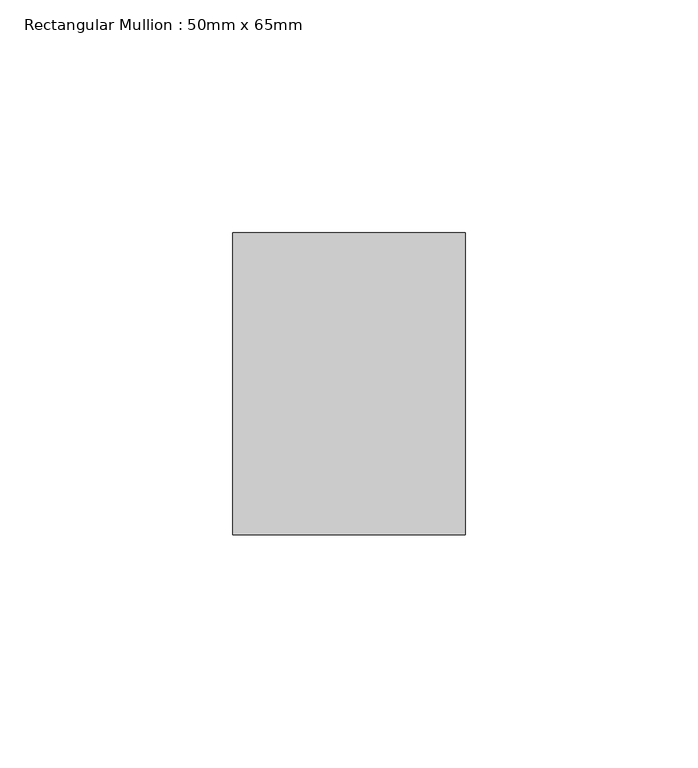
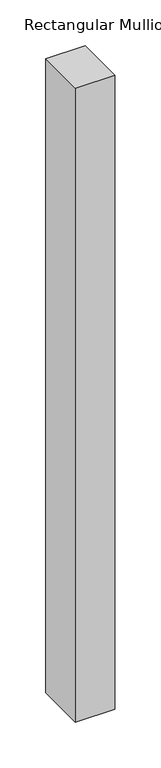
"""IFC4 building model written with IfcOpenShell, lengths in millimetres: member geometry, Rectangular Mullion : 50mm x 65mm."""

import ifcopenshell
import ifcopenshell.guid

model = None  # the IFC model being written
_history = None  # IfcOwnerHistory: only IFC2X3 demands one
_inside = {}  # id of a spatial element -> (the spatial element, [elements in it])
_under = {}  # id of a project, library or spatial element -> (it, [spatial elements below it])
_declared = {}  # id of a project -> (the project, [libraries it declares])
_typed = {}  # id of a type object -> (the type object, [elements of that type])
_made_of = {}  # id of a material, layer set ... -> (it, [elements and type objects made of it])


def new_model(schema):
    """Start an empty IFC model of exactly this schema.

    Asked for "IFC4X3", IfcOpenShell would pick the latest addendum, in which some entities
    have other attributes; the version numbers below select the first issue.
    IFC2X3 requires an IfcOwnerHistory on every rooted entity: one is made here for all.
    """
    global model, _history
    if schema == "IFC4X3":
        model = ifcopenshell.file(schema_version=(4, 3, 0, 0))
    else:
        model = ifcopenshell.file(schema=schema)
    _inside.clear()
    _under.clear()
    _declared.clear()
    _typed.clear()
    _made_of.clear()
    _history = None
    if model.schema == "IFC2X3":
        org = make("IfcOrganization", Name="unknown")
        user = make(
            "IfcPersonAndOrganization",
            ThePerson=make("IfcPerson", FamilyName="unknown"),
            TheOrganization=org,
        )
        app = make(
            "IfcApplication",
            ApplicationDeveloper=org,
            Version="unknown",
            ApplicationFullName="unknown",
            ApplicationIdentifier="unknown",
        )
        _history = make(
            "IfcOwnerHistory",
            OwningUser=user,
            OwningApplication=app,
            ChangeAction="ADDED",
            CreationDate=0,
        )
    return model


def make(cls, **values):
    """One entity of the class cls with the attributes given. An attribute that is None is left unset."""
    return model.create_entity(
        cls, **{name: value for name, value in values.items() if value is not None}
    )


def rooted(cls, **values):
    """An entity with a GlobalId (a new one), such as an element, a storey or a relation."""
    return make(cls, GlobalId=ifcopenshell.guid.new(), OwnerHistory=_history, **values)


def si_unit(unit_type, name, prefix=None):
    """IfcSIUnit, for example si_unit("LENGTHUNIT", "METRE", prefix="MILLI")."""
    return make("IfcSIUnit", UnitType=unit_type, Prefix=prefix, Name=name)


def assignment(units):
    """IfcUnitAssignment: the units of a project."""
    return None if units is None else make("IfcUnitAssignment", Units=units)


def point(xyz):
    """IfcCartesianPoint."""
    return None if xyz is None else make("IfcCartesianPoint", Coordinates=xyz)


def direction(xyz):
    """IfcDirection."""
    return None if xyz is None else make("IfcDirection", DirectionRatios=xyz)


def frame(location, z_axis=None, x_axis=None):
    """IfcAxis2Placement3D, a coordinate frame: its origin and axes. An axis left out is left unset."""
    return make(
        "IfcAxis2Placement3D",
        Location=point(location),
        Axis=direction(z_axis),
        RefDirection=direction(x_axis),
    )


def origin():
    """The frame at (0, 0, 0) with its axes left unset."""
    return frame((0.0, 0.0, 0.0))


def place(relative_to, where):
    """IfcLocalPlacement: puts the frame where relative to a parent placement (None: the world)."""
    return make(
        "IfcLocalPlacement", PlacementRelTo=relative_to, RelativePlacement=where
    )


def context(
    kind, dimensions, precision=None, world=None, true_north=None, identifier=None
):
    """IfcGeometricRepresentationContext, for example the 3D "Model" context."""
    return make(
        "IfcGeometricRepresentationContext",
        ContextIdentifier=identifier,
        ContextType=kind,
        CoordinateSpaceDimension=dimensions,
        Precision=precision,
        WorldCoordinateSystem=world,
        TrueNorth=true_north,
    )


def project(units=None, contexts=None):
    """IfcProject with its units and contexts."""
    return rooted(
        "IfcProject",
        Name="project",
        RepresentationContexts=contexts,
        UnitsInContext=assignment(units),
    )


def spatial(cls, under=None, at=None, **own):
    """A site, building, storey or space (cls), placed at a placement, below another one or the project."""
    s = rooted(cls, ObjectPlacement=at, **own)
    if under is not None:
        _under.setdefault(under.id(), (under, []))[1].append(s)
    return s


def polyline(points):
    """IfcPolyline through the points."""
    return make("IfcPolyline", Points=[point(p) for p in points])


def outline(outer, holes=None, kind="AREA"):
    """IfcArbitraryClosedProfileDef: a profile drawn as a closed curve; with holes, ...WithVoids."""
    if holes is None:
        return make("IfcArbitraryClosedProfileDef", ProfileType=kind, OuterCurve=outer)
    return make(
        "IfcArbitraryProfileDefWithVoids",
        ProfileType=kind,
        OuterCurve=outer,
        InnerCurves=holes,
    )


def extrude(swept, where, along, depth):
    """IfcExtrudedAreaSolid: the profile swept, set in the frame where, extruded along a direction by depth."""
    return make(
        "IfcExtrudedAreaSolid",
        SweptArea=swept,
        Position=where,
        ExtrudedDirection=direction(along),
        Depth=depth,
    )


def shape(context_of_items, identifier, shape_type, items):
    """IfcShapeRepresentation: the items that make up one representation, for example the "Body"."""
    return make(
        "IfcShapeRepresentation",
        ContextOfItems=context_of_items,
        RepresentationIdentifier=identifier,
        RepresentationType=shape_type,
        Items=items,
    )


def source(mapping_origin, context_of_items, identifier, shape_type, items):
    """IfcRepresentationMap: a shape defined once, which mapped items show again and again."""
    return make(
        "IfcRepresentationMap",
        MappingOrigin=mapping_origin,
        MappedRepresentation=shape(context_of_items, identifier, shape_type, items),
    )


def transform(
    local_origin,
    x_axis=None,
    y_axis=None,
    z_axis=None,
    scale=None,
    scale2=None,
    scale3=None,
    uniform=True,
):
    """IfcCartesianTransformationOperator3D, or its non-uniform kind. x_axis, y_axis, z_axis: its Axis1, 2, 3."""
    if uniform:
        return make(
            "IfcCartesianTransformationOperator3D",
            Axis1=direction(x_axis),
            Axis2=direction(y_axis),
            LocalOrigin=point(local_origin),
            Scale=scale,
            Axis3=direction(z_axis),
        )
    return make(
        "IfcCartesianTransformationOperator3DnonUniform",
        Axis1=direction(x_axis),
        Axis2=direction(y_axis),
        LocalOrigin=point(local_origin),
        Scale=scale,
        Axis3=direction(z_axis),
        Scale2=scale2,
        Scale3=scale3,
    )


def mapped(mapping_source, mapping_target):
    """IfcMappedItem: shows the shape of a source again, moved by a transform."""
    return make(
        "IfcMappedItem", MappingSource=mapping_source, MappingTarget=mapping_target
    )


def made_of(thing, what):
    """Note that an element or type object is made of a material, layer set ...; save() writes the relation."""
    if what is not None:
        _made_of.setdefault(what.id(), (what, []))[1].append(thing)
    return thing


def element(
    cls,
    number,
    at=None,
    inside=None,
    cuts=None,
    type_object=None,
    material=None,
    context=None,
    identifier="Body",
    shape_type=None,
    held_by="IfcProductDefinitionShape",
    body=None,
    shapes=None,
    **own,
):
    """One element of the class cls, such as IfcWall. Its Tag is "e" and its number.

    at: its placement. inside: the storey or other place that contains it. cuts: it is an
    opening in that element (IfcRelVoidsElement). A single representation is given by context,
    identifier, shape_type and body (its items); several are given by shapes. held_by: the class
    of the entity that holds the representations. save() writes the other relations.
    """
    e = rooted(cls, Tag="e%d" % number, ObjectPlacement=at, **own)
    if body is not None:
        shapes = [shape(context, identifier, shape_type, body)]
    if shapes is not None:
        e.Representation = make(held_by, Representations=shapes)
    if inside is not None:
        _inside.setdefault(inside.id(), (inside, []))[1].append(e)
    if cuts is not None:
        rooted(
            "IfcRelVoidsElement", RelatingBuildingElement=cuts, RelatedOpeningElement=e
        )
    if type_object is not None:
        _typed.setdefault(type_object.id(), (type_object, []))[1].append(e)
    return made_of(e, material)


def aggregate(whole, parts):
    """IfcRelAggregates: a whole, such as a stair, and the parts it consists of."""
    return rooted("IfcRelAggregates", RelatingObject=whole, RelatedObjects=parts)


def save(model, path):
    """Write the relations noted so far, then the file.

    IfcRelAggregates (storeys below a building ...), IfcRelContainedInSpatialStructure (elements
    in a storey), IfcRelDefinesByType, IfcRelAssociatesMaterial and IfcRelDeclares: one each for
    every whole, place, type object, material and project.
    """
    for whole, parts in _under.values():
        aggregate(whole, parts)
    for where, things in _inside.values():
        rooted(
            "IfcRelContainedInSpatialStructure",
            RelatedElements=things,
            RelatingStructure=where,
        )
    for kind, things in _typed.values():
        rooted("IfcRelDefinesByType", RelatedObjects=things, RelatingType=kind)
    for what, things in _made_of.values():
        rooted("IfcRelAssociatesMaterial", RelatedObjects=things, RelatingMaterial=what)
    for by, libraries in _declared.values():
        rooted("IfcRelDeclares", RelatingContext=by, RelatedDefinitions=libraries)
    model.write(path)


def rectangular_mullion_50mm_x_65mm_5220e532(model_context):
    return source(origin(), model_context, "Body", "SweptSolid", [
        extrude(outline(polyline([(25.0, 32.5), (25.0, -32.5), (-25.0, -32.5), (-25.0, 32.5), (25.0, 32.5)])), frame((0.0, 0.0, -846.724853), z_axis=(0.0, 0.0, 1.0), x_axis=(1.0, 0.0, 0.0)), (0.0, 0.0, 1.0), 846.724853),
    ])


if __name__ == "__main__":
    model = new_model("IFC4")
    model_context = context("Model", 3, world=origin())
    ifc_project = project(units=[si_unit("LENGTHUNIT", "METRE", prefix="MILLI")], contexts=[model_context])
    site = spatial("IfcSite", under=ifc_project)
    building = spatial("IfcBuilding", under=site)
    placement = place(None, origin())
    rectangular_mullion_50mm_x_65mm_shape = rectangular_mullion_50mm_x_65mm_5220e532(model_context)
    element("IfcMember", 1, ObjectType="Rectangular Mullion : 50mm x 65mm", at=placement, inside=building, context=model_context, shape_type="MappedRepresentation", body=[
        mapped(rectangular_mullion_50mm_x_65mm_shape, transform((0.0, 0.0, 0.0), x_axis=(1.0, 0.0, 0.0), y_axis=(0.0, 1.0, 0.0), z_axis=(0.0, 0.0, 1.0))),
    ])
    save(model, "model.ifc")
